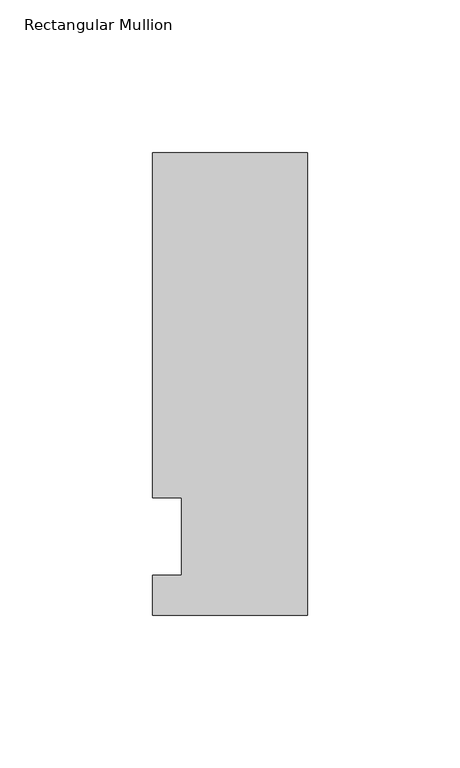
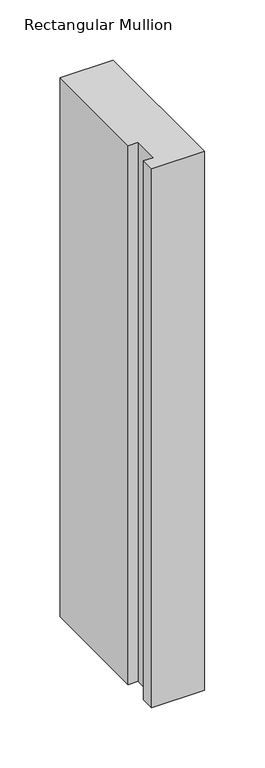
"""IFC4 building model written with IfcOpenShell, lengths in millimetres: member geometry, Rectangular Mullion."""

from ifc_helpers import new_model, si_unit, frame, origin, place, context, project, spatial, polyline, outline, extrude, source, transform, mapped, element, save


def rectangular_mullion_b50363d2(model_context):
    return source(origin(), model_context, "Body", "SweptSolid", [
        extrude(outline(polyline([(-50.8, -25.7961253), (-50.8, -12.7), (-41.275, -12.7), (-41.275, 12.7), (-50.8, 12.7), (-50.8, 125.8036906), (0.0, 125.8036906), (0.0, -25.7961253), (-50.8, -25.7961253)])), frame((0.0, 0.0, -545.7391064), z_axis=(0.0, 0.0, 1.0), x_axis=(1.0, 0.0, 0.0)), (0.0, 0.0, 1.0), 545.7391064),
    ])


if __name__ == "__main__":
    model = new_model("IFC4")
    model_context = context("Model", 3, world=origin())
    ifc_project = project(units=[si_unit("LENGTHUNIT", "METRE", prefix="MILLI")], contexts=[model_context])
    site = spatial("IfcSite", under=ifc_project)
    building = spatial("IfcBuilding", under=site)
    placement = place(None, origin())
    rectangular_mullion_shape = rectangular_mullion_b50363d2(model_context)
    element("IfcMember", 1, ObjectType="Rectangular Mullion", at=placement, inside=building, context=model_context, shape_type="MappedRepresentation", body=[
        mapped(rectangular_mullion_shape, transform((0.0, 0.0, 0.0), x_axis=(1.0, 0.0, 0.0), y_axis=(0.0, 1.0, 0.0), z_axis=(0.0, 0.0, 1.0))),
    ])
    save(model, "model.ifc")
